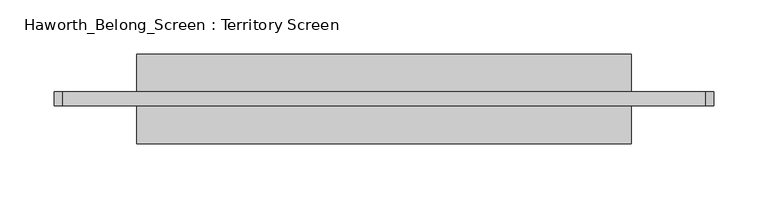
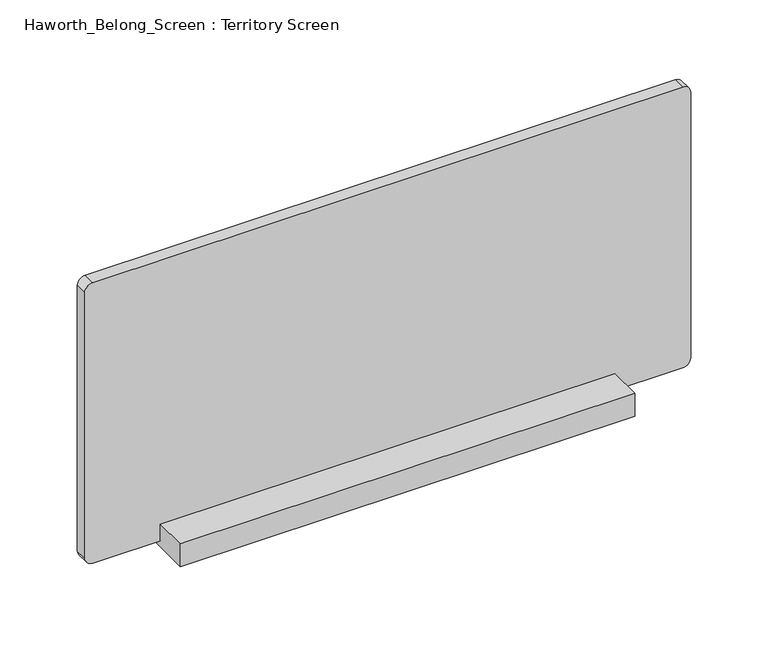
"""IFC4 building model written with IfcOpenShell, lengths in millimetres: furniture geometry, Haworth_Belong_Screen : Territory Screen."""

import ifcopenshell
import ifcopenshell.guid

model = None  # the IFC model being written
_history = None  # IfcOwnerHistory: only IFC2X3 demands one
_inside = {}  # id of a spatial element -> (the spatial element, [elements in it])
_under = {}  # id of a project, library or spatial element -> (it, [spatial elements below it])
_declared = {}  # id of a project -> (the project, [libraries it declares])
_typed = {}  # id of a type object -> (the type object, [elements of that type])
_made_of = {}  # id of a material, layer set ... -> (it, [elements and type objects made of it])


def new_model(schema):
    """Start an empty IFC model of exactly this schema.

    Asked for "IFC4X3", IfcOpenShell would pick the latest addendum, in which some entities
    have other attributes; the version numbers below select the first issue.
    IFC2X3 requires an IfcOwnerHistory on every rooted entity: one is made here for all.
    """
    global model, _history
    if schema == "IFC4X3":
        model = ifcopenshell.file(schema_version=(4, 3, 0, 0))
    else:
        model = ifcopenshell.file(schema=schema)
    _inside.clear()
    _under.clear()
    _declared.clear()
    _typed.clear()
    _made_of.clear()
    _history = None
    if model.schema == "IFC2X3":
        org = make("IfcOrganization", Name="unknown")
        user = make(
            "IfcPersonAndOrganization",
            ThePerson=make("IfcPerson", FamilyName="unknown"),
            TheOrganization=org,
        )
        app = make(
            "IfcApplication",
            ApplicationDeveloper=org,
            Version="unknown",
            ApplicationFullName="unknown",
            ApplicationIdentifier="unknown",
        )
        _history = make(
            "IfcOwnerHistory",
            OwningUser=user,
            OwningApplication=app,
            ChangeAction="ADDED",
            CreationDate=0,
        )
    return model


def make(cls, **values):
    """One entity of the class cls with the attributes given. An attribute that is None is left unset."""
    return model.create_entity(
        cls, **{name: value for name, value in values.items() if value is not None}
    )


def rooted(cls, **values):
    """An entity with a GlobalId (a new one), such as an element, a storey or a relation."""
    return make(cls, GlobalId=ifcopenshell.guid.new(), OwnerHistory=_history, **values)


def si_unit(unit_type, name, prefix=None):
    """IfcSIUnit, for example si_unit("LENGTHUNIT", "METRE", prefix="MILLI")."""
    return make("IfcSIUnit", UnitType=unit_type, Prefix=prefix, Name=name)


def assignment(units):
    """IfcUnitAssignment: the units of a project."""
    return None if units is None else make("IfcUnitAssignment", Units=units)


def point(xyz):
    """IfcCartesianPoint."""
    return None if xyz is None else make("IfcCartesianPoint", Coordinates=xyz)


def direction(xyz):
    """IfcDirection."""
    return None if xyz is None else make("IfcDirection", DirectionRatios=xyz)


def frame(location, z_axis=None, x_axis=None):
    """IfcAxis2Placement3D, a coordinate frame: its origin and axes. An axis left out is left unset."""
    return make(
        "IfcAxis2Placement3D",
        Location=point(location),
        Axis=direction(z_axis),
        RefDirection=direction(x_axis),
    )


def frame_2d(location, x_axis=None):
    """IfcAxis2Placement2D, a coordinate frame in the plane: its origin and x axis."""
    return make(
        "IfcAxis2Placement2D", Location=point(location), RefDirection=direction(x_axis)
    )


def origin():
    """The frame at (0, 0, 0) with its axes left unset."""
    return frame((0.0, 0.0, 0.0))


def place(relative_to, where):
    """IfcLocalPlacement: puts the frame where relative to a parent placement (None: the world)."""
    return make(
        "IfcLocalPlacement", PlacementRelTo=relative_to, RelativePlacement=where
    )


def context(
    kind, dimensions, precision=None, world=None, true_north=None, identifier=None
):
    """IfcGeometricRepresentationContext, for example the 3D "Model" context."""
    return make(
        "IfcGeometricRepresentationContext",
        ContextIdentifier=identifier,
        ContextType=kind,
        CoordinateSpaceDimension=dimensions,
        Precision=precision,
        WorldCoordinateSystem=world,
        TrueNorth=true_north,
    )


def project(units=None, contexts=None):
    """IfcProject with its units and contexts."""
    return rooted(
        "IfcProject",
        Name="project",
        RepresentationContexts=contexts,
        UnitsInContext=assignment(units),
    )


def spatial(cls, under=None, at=None, **own):
    """A site, building, storey or space (cls), placed at a placement, below another one or the project."""
    s = rooted(cls, ObjectPlacement=at, **own)
    if under is not None:
        _under.setdefault(under.id(), (under, []))[1].append(s)
    return s


def polyline(points):
    """IfcPolyline through the points."""
    return make("IfcPolyline", Points=[point(p) for p in points])


def circle_curve(where, radius):
    """IfcCircle in the frame where."""
    return make("IfcCircle", Position=where, Radius=radius)


def trimmed(basis, trim1, trim2, sense, master):
    """IfcTrimmedCurve: the piece of a basis curve between two trims."""
    return make(
        "IfcTrimmedCurve",
        BasisCurve=basis,
        Trim1=trim1,
        Trim2=trim2,
        SenseAgreement=sense,
        MasterRepresentation=master,
    )


def segment(curve, same_sense, transition):
    """IfcCompositeCurveSegment."""
    return make(
        "IfcCompositeCurveSegment",
        Transition=transition,
        SameSense=same_sense,
        ParentCurve=curve,
    )


def composite_curve(segments, self_intersect=None):
    """IfcCompositeCurve: segments joined end to end."""
    return make("IfcCompositeCurve", Segments=segments, SelfIntersect=self_intersect)


def outline(outer, holes=None, kind="AREA"):
    """IfcArbitraryClosedProfileDef: a profile drawn as a closed curve; with holes, ...WithVoids."""
    if holes is None:
        return make("IfcArbitraryClosedProfileDef", ProfileType=kind, OuterCurve=outer)
    return make(
        "IfcArbitraryProfileDefWithVoids",
        ProfileType=kind,
        OuterCurve=outer,
        InnerCurves=holes,
    )


def extrude(swept, where, along, depth):
    """IfcExtrudedAreaSolid: the profile swept, set in the frame where, extruded along a direction by depth."""
    return make(
        "IfcExtrudedAreaSolid",
        SweptArea=swept,
        Position=where,
        ExtrudedDirection=direction(along),
        Depth=depth,
    )


def shape(context_of_items, identifier, shape_type, items):
    """IfcShapeRepresentation: the items that make up one representation, for example the "Body"."""
    return make(
        "IfcShapeRepresentation",
        ContextOfItems=context_of_items,
        RepresentationIdentifier=identifier,
        RepresentationType=shape_type,
        Items=items,
    )


def source(mapping_origin, context_of_items, identifier, shape_type, items):
    """IfcRepresentationMap: a shape defined once, which mapped items show again and again."""
    return make(
        "IfcRepresentationMap",
        MappingOrigin=mapping_origin,
        MappedRepresentation=shape(context_of_items, identifier, shape_type, items),
    )


def transform(
    local_origin,
    x_axis=None,
    y_axis=None,
    z_axis=None,
    scale=None,
    scale2=None,
    scale3=None,
    uniform=True,
):
    """IfcCartesianTransformationOperator3D, or its non-uniform kind. x_axis, y_axis, z_axis: its Axis1, 2, 3."""
    if uniform:
        return make(
            "IfcCartesianTransformationOperator3D",
            Axis1=direction(x_axis),
            Axis2=direction(y_axis),
            LocalOrigin=point(local_origin),
            Scale=scale,
            Axis3=direction(z_axis),
        )
    return make(
        "IfcCartesianTransformationOperator3DnonUniform",
        Axis1=direction(x_axis),
        Axis2=direction(y_axis),
        LocalOrigin=point(local_origin),
        Scale=scale,
        Axis3=direction(z_axis),
        Scale2=scale2,
        Scale3=scale3,
    )


def mapped(mapping_source, mapping_target):
    """IfcMappedItem: shows the shape of a source again, moved by a transform."""
    return make(
        "IfcMappedItem", MappingSource=mapping_source, MappingTarget=mapping_target
    )


def made_of(thing, what):
    """Note that an element or type object is made of a material, layer set ...; save() writes the relation."""
    if what is not None:
        _made_of.setdefault(what.id(), (what, []))[1].append(thing)
    return thing


def element(
    cls,
    number,
    at=None,
    inside=None,
    cuts=None,
    type_object=None,
    material=None,
    context=None,
    identifier="Body",
    shape_type=None,
    held_by="IfcProductDefinitionShape",
    body=None,
    shapes=None,
    **own,
):
    """One element of the class cls, such as IfcWall. Its Tag is "e" and its number.

    at: its placement. inside: the storey or other place that contains it. cuts: it is an
    opening in that element (IfcRelVoidsElement). A single representation is given by context,
    identifier, shape_type and body (its items); several are given by shapes. held_by: the class
    of the entity that holds the representations. save() writes the other relations.
    """
    e = rooted(cls, Tag="e%d" % number, ObjectPlacement=at, **own)
    if body is not None:
        shapes = [shape(context, identifier, shape_type, body)]
    if shapes is not None:
        e.Representation = make(held_by, Representations=shapes)
    if inside is not None:
        _inside.setdefault(inside.id(), (inside, []))[1].append(e)
    if cuts is not None:
        rooted(
            "IfcRelVoidsElement", RelatingBuildingElement=cuts, RelatedOpeningElement=e
        )
    if type_object is not None:
        _typed.setdefault(type_object.id(), (type_object, []))[1].append(e)
    return made_of(e, material)


def aggregate(whole, parts):
    """IfcRelAggregates: a whole, such as a stair, and the parts it consists of."""
    return rooted("IfcRelAggregates", RelatingObject=whole, RelatedObjects=parts)


def save(model, path):
    """Write the relations noted so far, then the file.

    IfcRelAggregates (storeys below a building ...), IfcRelContainedInSpatialStructure (elements
    in a storey), IfcRelDefinesByType, IfcRelAssociatesMaterial and IfcRelDeclares: one each for
    every whole, place, type object, material and project.
    """
    for whole, parts in _under.values():
        aggregate(whole, parts)
    for where, things in _inside.values():
        rooted(
            "IfcRelContainedInSpatialStructure",
            RelatedElements=things,
            RelatingStructure=where,
        )
    for kind, things in _typed.values():
        rooted("IfcRelDefinesByType", RelatedObjects=things, RelatingType=kind)
    for what, things in _made_of.values():
        rooted("IfcRelAssociatesMaterial", RelatedObjects=things, RelatingMaterial=what)
    for by, libraries in _declared.values():
        rooted("IfcRelDeclares", RelatingContext=by, RelatedDefinitions=libraries)
    model.write(path)


def haworth_belong_screen_territory_screen_ac882efd(model_context):
    return source(origin(), model_context, "Body", "SweptSolid", [
        extrude(outline(polyline([(-41.275, 736.6), (-41.275, 760.6413376), (-6.35, 760.6413376), (-6.35, 742.95), (6.35, 742.95), (6.35, 760.6413376), (41.275, 760.6413376), (41.275, 736.6), (-41.275, 736.6)])), frame((-261.2645436, 0.0, 0.0), z_axis=(1.0, 0.0, 0.0), x_axis=(0.0, 1.0, 0.0)), (0.0, 0.0, 1.0), 457.2),
        extrude(outline(composite_curve([segment(polyline([(1041.4, 264.1979564), (1041.4, -329.5270436)]), True, "CONTINUOUS"), segment(trimmed(circle_curve(frame_2d((1033.4625, -329.5270436)), 7.9375), [point((1041.4, -329.5270436))], [point((1033.4625, -337.4645436))], False, "CARTESIAN"), True, "CONTINUOUS"), segment(polyline([(1033.4625, -337.4645436), (750.8875, -337.4645436)]), True, "CONTINUOUS"), segment(trimmed(circle_curve(frame_2d((750.8875, -329.5270436)), 7.9375), [point((750.8875, -337.4645436))], [point((742.95, -329.5270436))], False, "CARTESIAN"), True, "CONTINUOUS"), segment(polyline([(742.95, -329.5270436), (742.95, 264.1979564)]), True, "CONTINUOUS"), segment(trimmed(circle_curve(frame_2d((750.8875, 264.1979564)), 7.9375), [point((742.95, 264.1979564))], [point((750.8875, 272.1354564))], False, "CARTESIAN"), True, "CONTINUOUS"), segment(polyline([(750.8875, 272.1354564), (1033.4625, 272.1354564)]), True, "CONTINUOUS"), segment(trimmed(circle_curve(frame_2d((1033.4625, 264.1979564)), 7.9375), [point((1033.4625, 272.1354564))], [point((1041.4, 264.1979564))], False, "CARTESIAN"), True, "CONTINUOUS")], self_intersect=False)), frame((0.0, -6.35, 0.0), z_axis=(0.0, 1.0, 0.0), x_axis=(0.0, 0.0, 1.0)), (0.0, 0.0, 1.0), 12.7),
    ])


if __name__ == "__main__":
    model = new_model("IFC4")
    model_context = context("Model", 3, world=origin())
    ifc_project = project(units=[si_unit("LENGTHUNIT", "METRE", prefix="MILLI")], contexts=[model_context])
    site = spatial("IfcSite", under=ifc_project)
    building = spatial("IfcBuilding", under=site)
    placement = place(None, origin())
    haworth_belong_screen_territory_screen_shape = haworth_belong_screen_territory_screen_ac882efd(model_context)
    element("IfcFurniture", 1, ObjectType="Haworth_Belong_Screen : Territory Screen", at=placement, inside=building, context=model_context, shape_type="MappedRepresentation", body=[
        mapped(haworth_belong_screen_territory_screen_shape, transform((0.0, 0.0, 0.0), x_axis=(1.0, 0.0, 0.0), y_axis=(0.0, 1.0, 0.0), z_axis=(0.0, 0.0, 1.0))),
    ])
    save(model, "model.ifc")
